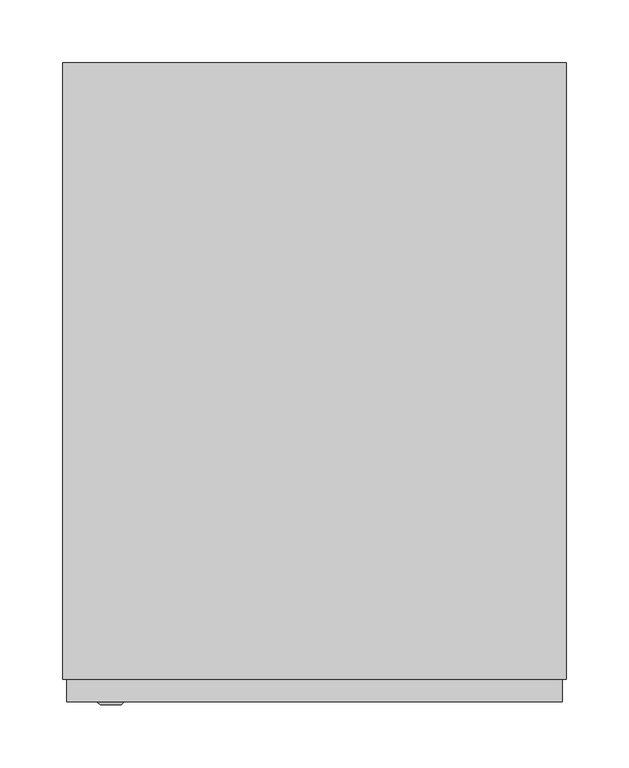
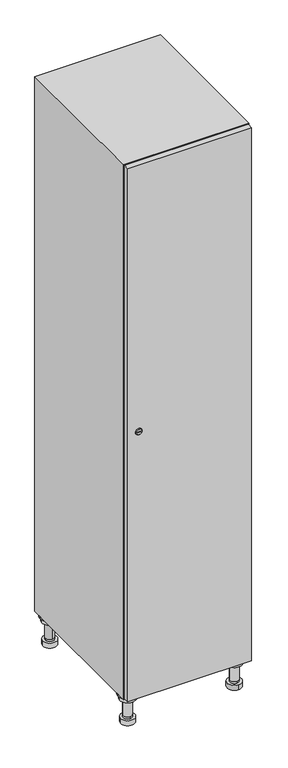
"""IFC4 building model written with IfcOpenShell, lengths in millimetres: furniture geometry."""

from ifc_helpers import new_model, si_unit, point, frame, frame_2d, origin, place, context, project, spatial, polyline, circle_curve, trimmed, segment, composite_curve, outline, extrude, faceted_brep, source, transform, mapped, element, save
from ifc_brep_helpers import plane_surface, cylinder_surface, revolved_surface, advanced_brep


def furniture_4a01b767(model_context):
    return source(origin(), model_context, "Body", "SolidModel", [
        advanced_brep(
        [(170.0, -201.0, 22.0), (170.0, -201.5, 16.0), (170.0, -228.5, 16.0), (170.0, -229.0, 22.0), (156.0, -215.0, 22.0), (184.0, -215.0, 22.0), (170.0, -192.5, 16.0), (170.0, -237.5, 16.0), (170.0, -192.5, 0.0), (170.0, -237.5, 0.0), (184.0, -215.0, 78.0), (156.0, -215.0, 78.0), (195.0, -215.0, 78.0), (145.0, -215.0, 78.0), (200.0, -215.0, 94.0), (140.0, -215.0, 94.0), (145.0, -215.0, 94.0), (195.0, -215.0, 94.0), (200.0, -215.0, 100.0), (140.0, -215.0, 100.0)],
        [
            (0, 1),
            (1, 2, circle_curve(frame((170.0, -215.0, 16.0), z_axis=(0.0, 0.0, 1.0), x_axis=(0.0, -1.0, 0.0)), 13.5)),
            (2, 3),
            (3, 4, circle_curve(frame((170.0, -215.0, 22.0), z_axis=(0.0, 0.0, -1.0), x_axis=(0.0, -1.0, 0.0)), 14.0)),
            (4, 0, circle_curve(frame((170.0, -215.0, 22.0), z_axis=(0.0, 0.0, -1.0), x_axis=(0.0, -1.0, 0.0)), 14.0)),
            (0, 5, circle_curve(frame((170.0, -215.0, 22.0), z_axis=(0.0, 0.0, -1.0), x_axis=(0.0, 1.0, 0.0)), 14.0)),
            (5, 3, circle_curve(frame((170.0, -215.0, 22.0), z_axis=(0.0, 0.0, -1.0), x_axis=(0.0, 1.0, 0.0)), 14.0)),
            (2, 1, circle_curve(frame((170.0, -215.0, 16.0), z_axis=(0.0, 0.0, 1.0), x_axis=(0.0, 1.0, 0.0)), 13.5)),
            (6, 7, circle_curve(frame((170.0, -215.0, 16.0), z_axis=(0.0, 0.0, 1.0), x_axis=(0.0, -1.0, 0.0)), 22.5)),
            (7, 6, circle_curve(frame((170.0, -215.0, 16.0), z_axis=(0.0, 0.0, 1.0), x_axis=(0.0, -1.0, 0.0)), 22.5)),
            (8, 9, circle_curve(frame((170.0, -215.0, 0.0), z_axis=(0.0, 0.0, -1.0), x_axis=(0.0, -1.0, 0.0)), 22.5)),
            (9, 8, circle_curve(frame((170.0, -215.0, 0.0), z_axis=(0.0, 0.0, -1.0), x_axis=(0.0, -1.0, 0.0)), 22.5)),
            (6, 8),
            (9, 7),
            (5, 10),
            (10, 11, circle_curve(frame((170.0, -215.0, 78.0), z_axis=(0.0, 0.0, -1.0), x_axis=(-1.0, 0.0, 0.0)), 14.0)),
            (11, 4),
            (11, 10, circle_curve(frame((170.0, -215.0, 78.0), z_axis=(0.0, 0.0, -1.0), x_axis=(-1.0, 0.0, 0.0)), 14.0)),
            (12, 13, circle_curve(frame((170.0, -215.0, 78.0), z_axis=(0.0, 0.0, -1.0), x_axis=(-1.0, 0.0, 0.0)), 25.0)),
            (13, 12, circle_curve(frame((170.0, -215.0, 78.0), z_axis=(0.0, 0.0, -1.0), x_axis=(-1.0, 0.0, 0.0)), 25.0)),
            (14, 15, circle_curve(frame((170.0, -215.0, 94.0), z_axis=(0.0, 0.0, -1.0), x_axis=(-1.0, 0.0, 0.0)), 30.0)),
            (15, 14, circle_curve(frame((170.0, -215.0, 94.0), z_axis=(0.0, 0.0, -1.0), x_axis=(-1.0, 0.0, 0.0)), 30.0)),
            (16, 17, circle_curve(frame((170.0, -215.0, 94.0), z_axis=(0.0, 0.0, 1.0), x_axis=(-1.0, 0.0, 0.0)), 25.0)),
            (17, 16, circle_curve(frame((170.0, -215.0, 94.0), z_axis=(0.0, 0.0, 1.0), x_axis=(-1.0, 0.0, 0.0)), 25.0)),
            (18, 19, circle_curve(frame((170.0, -215.0, 100.0), z_axis=(0.0, 0.0, 1.0), x_axis=(-1.0, 0.0, 0.0)), 30.0)),
            (19, 18, circle_curve(frame((170.0, -215.0, 100.0), z_axis=(0.0, 0.0, 1.0), x_axis=(-1.0, 0.0, 0.0)), 30.0)),
            (14, 18),
            (19, 15),
            (12, 17),
            (16, 13),
        ],
        [
            revolved_surface(polyline([(170.0, -201.5, 16.0), (170.0, -201.0, 22.0)]), (170.0, -215.0, -146.0), (0.0, 0.0, 1.0)),
            plane_surface(frame((170.0, 0.0, 16.0), z_axis=(0.0, 0.0, 1.0), x_axis=(0.0, -1.0, 0.0))),
            plane_surface(frame((170.0, 0.0, 0.0), z_axis=(0.0, 0.0, -1.0), x_axis=(0.0, -1.0, 0.0))),
            cylinder_surface(frame((170.0, -215.0, 16.0), z_axis=(0.0, 0.0, 1.0), x_axis=(0.0, -1.0, 0.0)), 22.5),
            cylinder_surface(frame((170.0, -215.0, 22.0), z_axis=(0.0, 0.0, -1.0), x_axis=(-1.0, 0.0, 0.0)), 14.0),
            plane_surface(frame((170.0, 0.0, 78.0), z_axis=(0.0, 0.0, -1.0), x_axis=(0.0, -1.0, 0.0))),
            plane_surface(frame((170.0, 0.0, 94.0), z_axis=(0.0, 0.0, -1.0), x_axis=(0.0, -1.0, 0.0))),
            plane_surface(frame((170.0, 0.0, 100.0), z_axis=(0.0, 0.0, 1.0), x_axis=(0.0, -1.0, 0.0))),
            cylinder_surface(frame((170.0, -215.0, 94.0), z_axis=(0.0, 0.0, -1.0), x_axis=(-1.0, 0.0, 0.0)), 30.0),
            cylinder_surface(frame((170.0, -215.0, 78.0), z_axis=(0.0, 0.0, -1.0), x_axis=(-1.0, 0.0, 0.0)), 25.0),
        ],
        [
            (0, [[1, 2, 3, 4, 5]]),
            (0, [[-1, 6, 7, -3, 8]]),
            (1, [[9, 10], [-2, -8]]),
            (2, [[11, 12]]),
            (3, [[-9, 13, -12, 14]]),
            (3, [[-10, -14, -11, -13]]),
            (4, [[15, 16, 17, -4, -7]]),
            (4, [[-15, -6, -5, -17, 18]]),
            (5, [[19, 20], [-16, -18]]),
            (6, [[21, 22], [23, 24]]),
            (7, [[25, 26]]),
            (8, [[-21, 27, -26, 28]]),
            (8, [[-22, -28, -25, -27]]),
            (9, [[-19, 29, -23, 30]]),
            (9, [[-20, -30, -24, -29]]),
        ],
    ),
        advanced_brep(
        [(-170.0, -201.0, 22.0), (-170.0, -201.5, 16.0), (-170.0, -228.5, 16.0), (-170.0, -229.0, 22.0), (-184.0, -215.0, 22.0), (-156.0, -215.0, 22.0), (-147.5, -215.0, 0.0), (-192.5, -215.0, 0.0), (-147.5, -215.0, 16.0), (-192.5, -215.0, 16.0), (-156.0, -215.0, 78.0), (-184.0, -215.0, 78.0), (-145.0, -215.0, 78.0), (-195.0, -215.0, 78.0), (-140.0, -215.0, 94.0), (-200.0, -215.0, 94.0), (-195.0, -215.0, 94.0), (-145.0, -215.0, 94.0), (-140.0, -215.0, 100.0), (-200.0, -215.0, 100.0)],
        [
            (0, 1),
            (1, 2, circle_curve(frame((-170.0, -215.0, 16.0), z_axis=(0.0, 0.0, 1.0), x_axis=(0.0, -1.0, 0.0)), 13.5)),
            (2, 3),
            (3, 4, circle_curve(frame((-170.0, -215.0, 22.0), z_axis=(0.0, 0.0, -1.0), x_axis=(0.0, -1.0, 0.0)), 14.0)),
            (4, 0, circle_curve(frame((-170.0, -215.0, 22.0), z_axis=(0.0, 0.0, -1.0), x_axis=(0.0, -1.0, 0.0)), 14.0)),
            (0, 5, circle_curve(frame((-170.0, -215.0, 22.0), z_axis=(0.0, 0.0, -1.0), x_axis=(0.0, 1.0, 0.0)), 14.0)),
            (5, 3, circle_curve(frame((-170.0, -215.0, 22.0), z_axis=(0.0, 0.0, -1.0), x_axis=(0.0, 1.0, 0.0)), 14.0)),
            (2, 1, circle_curve(frame((-170.0, -215.0, 16.0), z_axis=(0.0, 0.0, 1.0), x_axis=(0.0, 1.0, 0.0)), 13.5)),
            (6, 7, circle_curve(frame((-170.0, -215.0, 0.0), z_axis=(0.0, 0.0, -1.0), x_axis=(-1.0, 0.0, 0.0)), 22.5)),
            (7, 6, circle_curve(frame((-170.0, -215.0, 0.0), z_axis=(0.0, 0.0, -1.0), x_axis=(-1.0, 0.0, 0.0)), 22.5)),
            (8, 9, circle_curve(frame((-170.0, -215.0, 16.0), z_axis=(0.0, 0.0, 1.0), x_axis=(-1.0, 0.0, 0.0)), 22.5)),
            (9, 8, circle_curve(frame((-170.0, -215.0, 16.0), z_axis=(0.0, 0.0, 1.0), x_axis=(-1.0, 0.0, 0.0)), 22.5)),
            (6, 8),
            (9, 7),
            (5, 10),
            (10, 11, circle_curve(frame((-170.0, -215.0, 78.0), z_axis=(0.0, 0.0, -1.0), x_axis=(-1.0, 0.0, 0.0)), 14.0)),
            (11, 4),
            (11, 10, circle_curve(frame((-170.0, -215.0, 78.0), z_axis=(0.0, 0.0, -1.0), x_axis=(-1.0, 0.0, 0.0)), 14.0)),
            (12, 13, circle_curve(frame((-170.0, -215.0, 78.0), z_axis=(0.0, 0.0, -1.0), x_axis=(-1.0, 0.0, 0.0)), 25.0)),
            (13, 12, circle_curve(frame((-170.0, -215.0, 78.0), z_axis=(0.0, 0.0, -1.0), x_axis=(-1.0, 0.0, 0.0)), 25.0)),
            (14, 15, circle_curve(frame((-170.0, -215.0, 94.0), z_axis=(0.0, 0.0, -1.0), x_axis=(-1.0, 0.0, 0.0)), 30.0)),
            (15, 14, circle_curve(frame((-170.0, -215.0, 94.0), z_axis=(0.0, 0.0, -1.0), x_axis=(-1.0, 0.0, 0.0)), 30.0)),
            (16, 17, circle_curve(frame((-170.0, -215.0, 94.0), z_axis=(0.0, 0.0, 1.0), x_axis=(-1.0, 0.0, 0.0)), 25.0)),
            (17, 16, circle_curve(frame((-170.0, -215.0, 94.0), z_axis=(0.0, 0.0, 1.0), x_axis=(-1.0, 0.0, 0.0)), 25.0)),
            (18, 19, circle_curve(frame((-170.0, -215.0, 100.0), z_axis=(0.0, 0.0, 1.0), x_axis=(-1.0, 0.0, 0.0)), 30.0)),
            (19, 18, circle_curve(frame((-170.0, -215.0, 100.0), z_axis=(0.0, 0.0, 1.0), x_axis=(-1.0, 0.0, 0.0)), 30.0)),
            (14, 18),
            (19, 15),
            (12, 17),
            (16, 13),
        ],
        [
            revolved_surface(polyline([(-170.0, -201.5, 16.0), (-170.0, -201.0, 22.0)]), (-170.0, -215.0, -146.0), (0.0, 0.0, 1.0)),
            plane_surface(frame((-170.0, 0.0, 0.0), z_axis=(0.0, 0.0, -1.0), x_axis=(0.0, -1.0, 0.0))),
            plane_surface(frame((-170.0, 0.0, 16.0), z_axis=(0.0, 0.0, 1.0), x_axis=(0.0, -1.0, 0.0))),
            cylinder_surface(frame((-170.0, -215.0, 0.0), z_axis=(0.0, 0.0, -1.0), x_axis=(-1.0, 0.0, 0.0)), 22.5),
            cylinder_surface(frame((-170.0, -215.0, 22.0), z_axis=(0.0, 0.0, -1.0), x_axis=(-1.0, 0.0, 0.0)), 14.0),
            plane_surface(frame((-170.0, 0.0, 78.0), z_axis=(0.0, 0.0, -1.0), x_axis=(0.0, -1.0, 0.0))),
            plane_surface(frame((-170.0, 0.0, 94.0), z_axis=(0.0, 0.0, -1.0), x_axis=(0.0, -1.0, 0.0))),
            plane_surface(frame((-170.0, 0.0, 100.0), z_axis=(0.0, 0.0, 1.0), x_axis=(0.0, -1.0, 0.0))),
            cylinder_surface(frame((-170.0, -215.0, 94.0), z_axis=(0.0, 0.0, -1.0), x_axis=(-1.0, 0.0, 0.0)), 30.0),
            cylinder_surface(frame((-170.0, -215.0, 78.0), z_axis=(0.0, 0.0, -1.0), x_axis=(-1.0, 0.0, 0.0)), 25.0),
        ],
        [
            (0, [[1, 2, 3, 4, 5]]),
            (0, [[-1, 6, 7, -3, 8]]),
            (1, [[9, 10]]),
            (2, [[11, 12], [-2, -8]]),
            (3, [[-9, 13, -12, 14]]),
            (3, [[-10, -14, -11, -13]]),
            (4, [[15, 16, 17, -4, -7]]),
            (4, [[-15, -6, -5, -17, 18]]),
            (5, [[19, 20], [-16, -18]]),
            (6, [[21, 22], [23, 24]]),
            (7, [[25, 26]]),
            (8, [[-21, 27, -26, 28]]),
            (8, [[-22, -28, -25, -27]]),
            (9, [[-19, 29, -23, 30]]),
            (9, [[-20, -30, -24, -29]]),
        ],
    ),
        advanced_brep(
        [(183.5, 215.0, 16.0), (184.0, 215.0, 22.0), (156.0, 215.0, 22.0), (156.5, 215.0, 16.0), (192.5, 215.0, 0.0), (147.5, 215.0, 0.0), (192.5, 215.0, 16.0), (147.5, 215.0, 16.0), (184.0, 215.0, 78.0), (156.0, 215.0, 78.0), (195.0, 215.0, 78.0), (145.0, 215.0, 78.0), (200.0, 215.0, 94.0), (140.0, 215.0, 94.0), (145.0, 215.0, 94.0), (195.0, 215.0, 94.0), (200.0, 215.0, 100.0), (140.0, 215.0, 100.0)],
        [
            (0, 1),
            (1, 2, circle_curve(frame((170.0, 215.0, 22.0), z_axis=(0.0, 0.0, -1.0), x_axis=(-1.0, 0.0, 0.0)), 14.0)),
            (2, 3),
            (3, 0, circle_curve(frame((170.0, 215.0, 16.0), z_axis=(0.0, 0.0, 1.0), x_axis=(-1.0, 0.0, 0.0)), 13.5)),
            (0, 3, circle_curve(frame((170.0, 215.0, 16.0), z_axis=(0.0, 0.0, 1.0), x_axis=(1.0, 0.0, 0.0)), 13.5)),
            (2, 1, circle_curve(frame((170.0, 215.0, 22.0), z_axis=(0.0, 0.0, -1.0), x_axis=(1.0, 0.0, 0.0)), 14.0)),
            (4, 5, circle_curve(frame((170.0, 215.0, 0.0), z_axis=(0.0, 0.0, -1.0), x_axis=(-1.0, 0.0, 0.0)), 22.5)),
            (5, 4, circle_curve(frame((170.0, 215.0, 0.0), z_axis=(0.0, 0.0, -1.0), x_axis=(-1.0, 0.0, 0.0)), 22.5)),
            (6, 7, circle_curve(frame((170.0, 215.0, 16.0), z_axis=(0.0, 0.0, 1.0), x_axis=(-1.0, 0.0, 0.0)), 22.5)),
            (7, 6, circle_curve(frame((170.0, 215.0, 16.0), z_axis=(0.0, 0.0, 1.0), x_axis=(-1.0, 0.0, 0.0)), 22.5)),
            (4, 6),
            (7, 5),
            (1, 8),
            (8, 9, circle_curve(frame((170.0, 215.0, 78.0), z_axis=(0.0, 0.0, -1.0), x_axis=(-1.0, 0.0, 0.0)), 14.0)),
            (9, 2),
            (9, 8, circle_curve(frame((170.0, 215.0, 78.0), z_axis=(0.0, 0.0, -1.0), x_axis=(-1.0, 0.0, 0.0)), 14.0)),
            (10, 11, circle_curve(frame((170.0, 215.0, 78.0), z_axis=(0.0, 0.0, -1.0), x_axis=(-1.0, 0.0, 0.0)), 25.0)),
            (11, 10, circle_curve(frame((170.0, 215.0, 78.0), z_axis=(0.0, 0.0, -1.0), x_axis=(-1.0, 0.0, 0.0)), 25.0)),
            (12, 13, circle_curve(frame((170.0, 215.0, 94.0), z_axis=(0.0, 0.0, -1.0), x_axis=(-1.0, 0.0, 0.0)), 30.0)),
            (13, 12, circle_curve(frame((170.0, 215.0, 94.0), z_axis=(0.0, 0.0, -1.0), x_axis=(-1.0, 0.0, 0.0)), 30.0)),
            (14, 15, circle_curve(frame((170.0, 215.0, 94.0), z_axis=(0.0, 0.0, 1.0), x_axis=(-1.0, 0.0, 0.0)), 25.0)),
            (15, 14, circle_curve(frame((170.0, 215.0, 94.0), z_axis=(0.0, 0.0, 1.0), x_axis=(-1.0, 0.0, 0.0)), 25.0)),
            (16, 17, circle_curve(frame((170.0, 215.0, 100.0), z_axis=(0.0, 0.0, 1.0), x_axis=(-1.0, 0.0, 0.0)), 30.0)),
            (17, 16, circle_curve(frame((170.0, 215.0, 100.0), z_axis=(0.0, 0.0, 1.0), x_axis=(-1.0, 0.0, 0.0)), 30.0)),
            (12, 16),
            (17, 13),
            (10, 15),
            (14, 11),
        ],
        [
            revolved_surface(polyline([(183.5, 215.0, 16.0), (184.0, 215.0, 22.0)]), (170.0, 215.0, -146.0), (0.0, 0.0, 1.0)),
            plane_surface(frame((170.0, 0.0, 0.0), z_axis=(0.0, 0.0, -1.0), x_axis=(0.0, -1.0, 0.0))),
            plane_surface(frame((170.0, 0.0, 16.0), z_axis=(0.0, 0.0, 1.0), x_axis=(0.0, -1.0, 0.0))),
            cylinder_surface(frame((170.0, 215.0, 0.0), z_axis=(0.0, 0.0, -1.0), x_axis=(-1.0, 0.0, 0.0)), 22.5),
            cylinder_surface(frame((170.0, 215.0, 22.0), z_axis=(0.0, 0.0, -1.0), x_axis=(-1.0, 0.0, 0.0)), 14.0),
            plane_surface(frame((170.0, 0.0, 78.0), z_axis=(0.0, 0.0, -1.0), x_axis=(0.0, -1.0, 0.0))),
            plane_surface(frame((170.0, 0.0, 94.0), z_axis=(0.0, 0.0, -1.0), x_axis=(0.0, -1.0, 0.0))),
            plane_surface(frame((170.0, 0.0, 100.0), z_axis=(0.0, 0.0, 1.0), x_axis=(0.0, -1.0, 0.0))),
            cylinder_surface(frame((170.0, 215.0, 94.0), z_axis=(0.0, 0.0, -1.0), x_axis=(-1.0, 0.0, 0.0)), 30.0),
            cylinder_surface(frame((170.0, 215.0, 78.0), z_axis=(0.0, 0.0, -1.0), x_axis=(-1.0, 0.0, 0.0)), 25.0),
        ],
        [
            (0, [[1, 2, 3, 4]]),
            (0, [[-1, 5, -3, 6]]),
            (1, [[7, 8]]),
            (2, [[9, 10], [-4, -5]]),
            (3, [[-7, 11, -10, 12]]),
            (3, [[-8, -12, -9, -11]]),
            (4, [[13, 14, 15, -2]]),
            (4, [[-13, -6, -15, 16]]),
            (5, [[17, 18], [-14, -16]]),
            (6, [[19, 20], [21, 22]]),
            (7, [[23, 24]]),
            (8, [[-19, 25, -24, 26]]),
            (8, [[-20, -26, -23, -25]]),
            (9, [[-17, 27, -21, 28]]),
            (9, [[-18, -28, -22, -27]]),
        ],
    ),
        advanced_brep(
        [(-156.5, 215.0, 16.0), (-156.0, 215.0, 22.0), (-170.0, 201.0, 22.0), (-184.0, 215.0, 22.0), (-183.5, 215.0, 16.0), (-170.0, 229.0, 22.0), (-147.5, 215.0, 0.0), (-192.5, 215.0, 0.0), (-147.5, 215.0, 16.0), (-192.5, 215.0, 16.0), (-170.0, 229.0, 78.0), (-170.0, 201.0, 78.0), (-145.0, 215.0, 78.0), (-195.0, 215.0, 78.0), (-140.0, 215.0, 94.0), (-200.0, 215.0, 94.0), (-195.0, 215.0, 94.0), (-145.0, 215.0, 94.0), (-140.0, 215.0, 100.0), (-200.0, 215.0, 100.0)],
        [
            (0, 1),
            (1, 2, circle_curve(frame((-170.0, 215.0, 22.0), z_axis=(0.0, 0.0, -1.0), x_axis=(-1.0, 0.0, 0.0)), 14.0)),
            (2, 3, circle_curve(frame((-170.0, 215.0, 22.0), z_axis=(0.0, 0.0, -1.0), x_axis=(-1.0, 0.0, 0.0)), 14.0)),
            (3, 4),
            (4, 0, circle_curve(frame((-170.0, 215.0, 16.0), z_axis=(0.0, 0.0, 1.0), x_axis=(-1.0, 0.0, 0.0)), 13.5)),
            (0, 4, circle_curve(frame((-170.0, 215.0, 16.0), z_axis=(0.0, 0.0, 1.0), x_axis=(1.0, 0.0, 0.0)), 13.5)),
            (3, 5, circle_curve(frame((-170.0, 215.0, 22.0), z_axis=(0.0, 0.0, -1.0), x_axis=(1.0, 0.0, 0.0)), 14.0)),
            (5, 1, circle_curve(frame((-170.0, 215.0, 22.0), z_axis=(0.0, 0.0, -1.0), x_axis=(1.0, 0.0, 0.0)), 14.0)),
            (6, 7, circle_curve(frame((-170.0, 215.0, 0.0), z_axis=(0.0, 0.0, -1.0), x_axis=(-1.0, 0.0, 0.0)), 22.5)),
            (7, 6, circle_curve(frame((-170.0, 215.0, 0.0), z_axis=(0.0, 0.0, -1.0), x_axis=(-1.0, 0.0, 0.0)), 22.5)),
            (8, 9, circle_curve(frame((-170.0, 215.0, 16.0), z_axis=(0.0, 0.0, 1.0), x_axis=(-1.0, 0.0, 0.0)), 22.5)),
            (9, 8, circle_curve(frame((-170.0, 215.0, 16.0), z_axis=(0.0, 0.0, 1.0), x_axis=(-1.0, 0.0, 0.0)), 22.5)),
            (6, 8),
            (9, 7),
            (10, 5),
            (2, 11),
            (11, 10, circle_curve(frame((-170.0, 215.0, 78.0), z_axis=(0.0, 0.0, -1.0), x_axis=(0.0, -1.0, 0.0)), 14.0)),
            (10, 11, circle_curve(frame((-170.0, 215.0, 78.0), z_axis=(0.0, 0.0, -1.0), x_axis=(0.0, -1.0, 0.0)), 14.0)),
            (12, 13, circle_curve(frame((-170.0, 215.0, 78.0), z_axis=(0.0, 0.0, -1.0), x_axis=(-1.0, 0.0, 0.0)), 25.0)),
            (13, 12, circle_curve(frame((-170.0, 215.0, 78.0), z_axis=(0.0, 0.0, -1.0), x_axis=(-1.0, 0.0, 0.0)), 25.0)),
            (14, 15, circle_curve(frame((-170.0, 215.0, 94.0), z_axis=(0.0, 0.0, -1.0), x_axis=(-1.0, 0.0, 0.0)), 30.0)),
            (15, 14, circle_curve(frame((-170.0, 215.0, 94.0), z_axis=(0.0, 0.0, -1.0), x_axis=(-1.0, 0.0, 0.0)), 30.0)),
            (16, 17, circle_curve(frame((-170.0, 215.0, 94.0), z_axis=(0.0, 0.0, 1.0), x_axis=(-1.0, 0.0, 0.0)), 25.0)),
            (17, 16, circle_curve(frame((-170.0, 215.0, 94.0), z_axis=(0.0, 0.0, 1.0), x_axis=(-1.0, 0.0, 0.0)), 25.0)),
            (18, 19, circle_curve(frame((-170.0, 215.0, 100.0), z_axis=(0.0, 0.0, 1.0), x_axis=(-1.0, 0.0, 0.0)), 30.0)),
            (19, 18, circle_curve(frame((-170.0, 215.0, 100.0), z_axis=(0.0, 0.0, 1.0), x_axis=(-1.0, 0.0, 0.0)), 30.0)),
            (14, 18),
            (19, 15),
            (12, 17),
            (16, 13),
        ],
        [
            revolved_surface(polyline([(-156.5, 215.0, 16.0), (-156.0, 215.0, 22.0)]), (-170.0, 215.0, -146.0), (0.0, 0.0, 1.0)),
            plane_surface(frame((-170.0, 0.0, 0.0), z_axis=(0.0, 0.0, -1.0), x_axis=(0.0, -1.0, 0.0))),
            plane_surface(frame((-170.0, 0.0, 16.0), z_axis=(0.0, 0.0, 1.0), x_axis=(0.0, -1.0, 0.0))),
            cylinder_surface(frame((-170.0, 215.0, 0.0), z_axis=(0.0, 0.0, -1.0), x_axis=(-1.0, 0.0, 0.0)), 22.5),
            cylinder_surface(frame((-170.0, 215.0, 78.0), z_axis=(0.0, 0.0, 1.0), x_axis=(0.0, -1.0, 0.0)), 14.0),
            plane_surface(frame((-170.0, 0.0, 78.0), z_axis=(0.0, 0.0, -1.0), x_axis=(0.0, -1.0, 0.0))),
            plane_surface(frame((-170.0, 0.0, 94.0), z_axis=(0.0, 0.0, -1.0), x_axis=(0.0, -1.0, 0.0))),
            plane_surface(frame((-170.0, 0.0, 100.0), z_axis=(0.0, 0.0, 1.0), x_axis=(0.0, -1.0, 0.0))),
            cylinder_surface(frame((-170.0, 215.0, 94.0), z_axis=(0.0, 0.0, -1.0), x_axis=(-1.0, 0.0, 0.0)), 30.0),
            cylinder_surface(frame((-170.0, 215.0, 78.0), z_axis=(0.0, 0.0, -1.0), x_axis=(-1.0, 0.0, 0.0)), 25.0),
        ],
        [
            (0, [[1, 2, 3, 4, 5]]),
            (0, [[-1, 6, -4, 7, 8]]),
            (1, [[9, 10]]),
            (2, [[11, 12], [-5, -6]]),
            (3, [[-9, 13, -12, 14]]),
            (3, [[-10, -14, -11, -13]]),
            (4, [[15, -7, -3, 16, 17]]),
            (4, [[-15, 18, -16, -2, -8]]),
            (5, [[19, 20], [-17, -18]]),
            (6, [[21, 22], [23, 24]]),
            (7, [[25, 26]]),
            (8, [[-21, 27, -26, 28]]),
            (8, [[-22, -28, -25, -27]]),
            (9, [[-19, 29, -23, 30]]),
            (9, [[-20, -30, -24, -29]]),
        ],
    ),
        extrude(outline(composite_curve([segment(trimmed(circle_curve(frame_2d((1000.0, -188.7989466)), 7.0), [point((1007.0, -188.7989466))], [point((993.0, -188.7989466))], False, "CARTESIAN"), True, "CONTINUOUS"), segment(polyline([(993.0, -188.7989466), (993.0, -160.7989466)]), True, "CONTINUOUS"), segment(trimmed(circle_curve(frame_2d((1000.0, -160.7989466)), 7.0), [point((993.0, -160.7989466))], [point((1007.0, -160.7989466))], False, "CARTESIAN"), True, "CONTINUOUS"), segment(polyline([(1007.0, -160.7989466), (1007.0, -188.7989466)]), True, "CONTINUOUS")], self_intersect=False)), frame((0.0, -245.0, 0.0), z_axis=(0.0, 1.0, 0.0), x_axis=(0.0, 0.0, 1.0)), (0.0, 0.0, 1.0), 2.0),
        advanced_brep(
        [(-153.5, -265.2, 1000.0), (-170.5, -265.2, 1000.0), (-167.0, -265.2, 998.75), (-167.0, -265.2, 1001.25), (-157.0, -265.2, 1001.25), (-157.0, -265.2, 998.75), (-151.5, -263.0, 1000.0), (-172.5, -263.0, 1000.0), (-167.0, -263.0, 1001.25), (-167.0, -263.0, 998.75), (-157.0, -263.0, 998.75), (-157.0, -263.0, 1001.25)],
        [
            (0, 1, circle_curve(frame((-162.0, -265.2, 1000.0), z_axis=(0.0, -1.0, 0.0), x_axis=(1.0, 0.0, 0.0)), 8.5)),
            (1, 0, circle_curve(frame((-162.0, -265.2, 1000.0), z_axis=(0.0, -1.0, 0.0), x_axis=(-1.0, 0.0, 0.0)), 8.5)),
            (2, 3),
            (3, 4),
            (4, 5),
            (5, 2),
            (6, 7, circle_curve(frame((-162.0, -263.0, 1000.0), z_axis=(0.0, 1.0, 0.0), x_axis=(-1.0, 0.0, 0.0)), 10.5)),
            (7, 6, circle_curve(frame((-162.0, -263.0, 1000.0), z_axis=(0.0, 1.0, 0.0), x_axis=(1.0, 0.0, 0.0)), 10.5)),
            (8, 9),
            (9, 10),
            (10, 11),
            (11, 8),
            (0, 6),
            (7, 1),
            (8, 3),
            (2, 9),
            (11, 4),
            (10, 5),
        ],
        [
            plane_surface(frame((-162.0, -265.2, 1000.0), z_axis=(0.0, -1.0, 0.0), x_axis=(0.0, 0.0, 1.0))),
            plane_surface(frame((-162.0, -263.0, 1000.0), z_axis=(0.0, 1.0, 0.0), x_axis=(0.0, 0.0, 1.0))),
            revolved_surface(polyline([(-153.5, -265.2, 1000.0), (-151.5, -263.0, 1000.0)]), (-162.0, -274.55, 1000.0), (0.0, 1.0, 0.0)),
            revolved_surface(polyline([(-170.5, -265.2, 1000.0), (-172.5, -263.0, 1000.0)]), (-162.0, -274.55, 1000.0), (0.0, 1.0, 0.0)),
            plane_surface(frame((-167.0, -263.0, 998.75), z_axis=(1.0, 0.0, 0.0), x_axis=(0.0, -1.0, 0.0))),
            plane_surface(frame((-167.0, -263.0, 1001.25), z_axis=(0.0, 0.0, -1.0), x_axis=(0.0, -1.0, 0.0))),
            plane_surface(frame((-157.0, -263.0, 1001.25), z_axis=(-1.0, 0.0, 0.0), x_axis=(0.0, -1.0, 0.0))),
            plane_surface(frame((-157.0, -263.0, 998.75), z_axis=(0.0, 0.0, 1.0), x_axis=(0.0, -1.0, 0.0))),
        ],
        [
            (0, [[1, 2], [3, 4, 5, 6]]),
            (1, [[7, 8], [9, 10, 11, 12]]),
            (2, [[-1, 13, -8, 14]]),
            (3, [[-2, -14, -7, -13]]),
            (4, [[15, -3, 16, -9]]),
            (5, [[-15, -12, 17, -4]]),
            (6, [[-17, -11, 18, -5]]),
            (7, [[-16, -6, -18, -10]]),
        ],
    ),
        extrude(outline(polyline([(197.0, -245.0), (197.0, -263.0), (-197.0, -263.0), (-197.0, -245.0), (197.0, -245.0)])), frame((0.0, 0.0, 103.0), z_axis=(0.0, 0.0, 1.0), x_axis=(1.0, 0.0, 0.0)), (0.0, 0.0, 1.0), 1794.0),
        faceted_brep([(200.0, -245.0, 100.0), (200.0, -245.0, 1900.0), (-200.0, -245.0, 1900.0), (-200.0, -245.0, 100.0), (182.0, -245.0, 1882.0), (182.0, -245.0, 118.0), (-182.0, -245.0, 118.0), (-182.0, -245.0, 1882.0), (200.0, 245.0, 100.0), (-200.0, 245.0, 100.0), (200.0, 245.0, 1900.0), (-200.0, 245.0, 1900.0), (182.0, 227.0, 1882.0), (182.0, 227.0, 118.0), (-200.0, 245.0, 1882.0), (-182.0, 227.0, 1882.0), (-182.0, 227.0, 118.0)], [[[0, 1, 2, 3], [4, 5, 6, 7]], [[8, 0, 3, 9]], [[1, 0, 8, 10]], [[1, 10, 11, 2]], [[4, 12, 13, 5]], [[9, 3, 2, 11, 14]], [[10, 8, 9, 14, 11]], [[12, 15, 16, 13]], [[15, 7, 6, 16]], [[4, 7, 15, 12]], [[6, 5, 13, 16]]]),
    ])


if __name__ == "__main__":
    model = new_model("IFC4")
    model_context = context("Model", 3, world=origin())
    ifc_project = project(units=[si_unit("LENGTHUNIT", "METRE", prefix="MILLI")], contexts=[model_context])
    site = spatial("IfcSite", under=ifc_project)
    building = spatial("IfcBuilding", under=site)
    placement = place(None, origin())
    furniture_shape = furniture_4a01b767(model_context)
    element("IfcFurniture", 1, at=placement, inside=building, context=model_context, shape_type="MappedRepresentation", body=[
        mapped(furniture_shape, transform((0.0, 0.0, 0.0), x_axis=(1.0, 0.0, 0.0), y_axis=(0.0, 1.0, 0.0), z_axis=(0.0, 0.0, 1.0))),
    ])
    save(model, "model.ifc")
